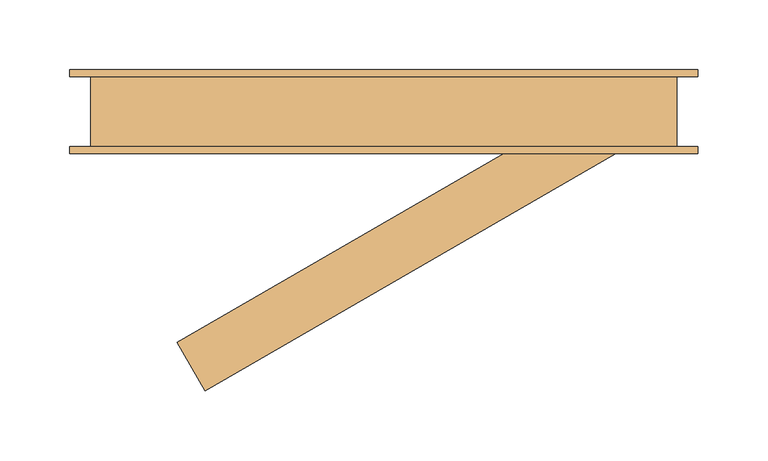
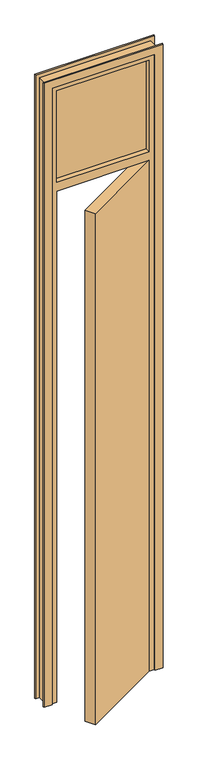
"""IFC4 building model written with IfcOpenShell, lengths in millimetres: door geometry."""

from ifc_helpers import new_model, si_unit, frame, origin, origin_with_axes, place, context, project, spatial, polyline, outline, extrude, faceted_brep, source, transform, mapped, element, save


def door_b9012996(model_context):
    return source(origin(), model_context, "Body", "SolidModel", [
        extrude(outline(polyline([(-183.1088913, -165.3589838), (120.0, 9.6410162), (140.0, -25.0), (-163.1088913, -200.0), (-183.1088913, -165.3589838)])), origin_with_axes(), (0.0, 0.0, 1.0), 2040.0),
        extrude(outline(polyline([(0.0, -260.0), (0.0, -230.0), (2460.0, -230.0), (2460.0, 160.0), (0.0, 160.0), (0.0, 190.0), (2490.0, 190.0), (2490.0, -260.0), (0.0, -260.0)])), frame((0.0, -30.0, 0.0), z_axis=(0.0, 1.0, 0.0), x_axis=(0.0, 0.0, 1.0)), (0.0, 0.0, 1.0), 5.0),
        extrude(outline(polyline([(0.0, -260.0), (0.0, -230.0), (2460.0, -230.0), (2460.0, 160.0), (0.0, 160.0), (0.0, 190.0), (2490.0, 190.0), (2490.0, -260.0), (0.0, -260.0)])), frame((0.0, 25.0, 0.0), z_axis=(0.0, 1.0, 0.0), x_axis=(0.0, 0.0, 1.0)), (0.0, 0.0, 1.0), 5.0),
        extrude(outline(polyline([(140.0, -6.0), (-210.0, -6.0), (-210.0, 6.0), (140.0, 6.0), (140.0, -6.0)])), frame((0.0, 0.0, 2075.0), z_axis=(0.0, 0.0, 1.0), x_axis=(1.0, 0.0, 0.0)), (0.0, 0.0, 1.0), 365.0),
        faceted_brep([(-245.0, -25.0, 0.0), (-245.0, 25.0, 0.0), (-195.0, 25.0, 0.0), (-195.0, 15.0, 0.0), (-210.0, 15.0, 0.0), (-210.0, -25.0, 0.0), (-245.0, -25.0, 2475.0), (-245.0, 25.0, 2475.0), (175.0, 25.0, 2475.0), (175.0, 25.0, 0.0), (125.0, 25.0, 0.0), (125.0, 25.0, 2025.0), (-195.0, 25.0, 2025.0), (-210.0, 25.0, 2075.0), (140.0, 25.0, 2075.0), (140.0, 25.0, 2440.0), (-210.0, 25.0, 2440.0), (-195.0, 15.0, 2025.0), (125.0, 15.0, 2025.0), (125.0, 15.0, 0.0), (140.0, 15.0, 0.0), (140.0, 15.0, 2040.0), (-210.0, 15.0, 2040.0), (-210.0, -25.0, 2040.0), (140.0, -25.0, 2040.0), (140.0, -25.0, 0.0), (175.0, -25.0, 0.0), (175.0, -25.0, 2475.0), (140.0, -25.0, 2075.0), (-210.0, -25.0, 2075.0), (-210.0, -25.0, 2440.0), (140.0, -25.0, 2440.0)], [[[0, 1, 2, 3, 4, 5]], [[1, 0, 6, 7]], [[2, 1, 7, 8, 9, 10, 11, 12], [13, 14, 15, 16]], [[3, 2, 12, 17]], [[4, 3, 17, 18, 19, 20, 21, 22]], [[5, 4, 22, 23]], [[6, 0, 5, 23, 24, 25, 26, 27], [28, 29, 30, 31]], [[9, 8, 27, 26]], [[10, 9, 26, 25, 20, 19]], [[11, 10, 19, 18]], [[21, 20, 25, 24]], [[6, 27, 8, 7]], [[28, 31, 15, 14]], [[31, 30, 16, 15]], [[30, 29, 13, 16]], [[14, 13, 29, 28]], [[12, 11, 18, 17]], [[22, 21, 24, 23]]]),
    ])


if __name__ == "__main__":
    model = new_model("IFC4")
    model_context = context("Model", 3, world=origin())
    ifc_project = project(units=[si_unit("LENGTHUNIT", "METRE", prefix="MILLI")], contexts=[model_context])
    site = spatial("IfcSite", under=ifc_project)
    building = spatial("IfcBuilding", under=site)
    placement = place(None, origin())
    door_shape = door_b9012996(model_context)
    element("IfcDoor", 1, at=placement, inside=building, context=model_context, shape_type="MappedRepresentation", body=[
        mapped(door_shape, transform((0.0, 0.0, 0.0), x_axis=(1.0, 0.0, 0.0), y_axis=(0.0, 1.0, 0.0), z_axis=(0.0, 0.0, 1.0))),
    ])
    save(model, "model.ifc")
